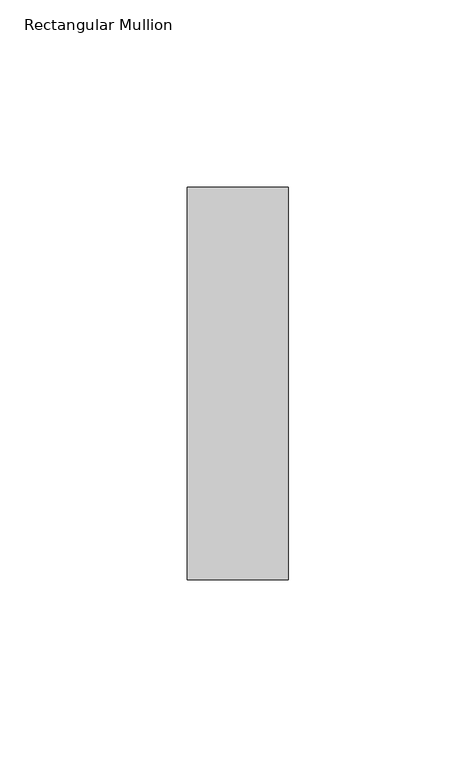
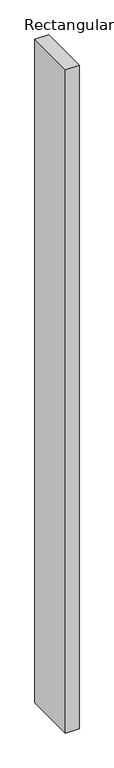
"""IFC4 building model written with IfcOpenShell, lengths in millimetres: member geometry, Rectangular Mullion."""

import ifcopenshell
import ifcopenshell.guid

model = None  # the IFC model being written
_history = None  # IfcOwnerHistory: only IFC2X3 demands one
_inside = {}  # id of a spatial element -> (the spatial element, [elements in it])
_under = {}  # id of a project, library or spatial element -> (it, [spatial elements below it])
_declared = {}  # id of a project -> (the project, [libraries it declares])
_typed = {}  # id of a type object -> (the type object, [elements of that type])
_made_of = {}  # id of a material, layer set ... -> (it, [elements and type objects made of it])


def new_model(schema):
    """Start an empty IFC model of exactly this schema.

    Asked for "IFC4X3", IfcOpenShell would pick the latest addendum, in which some entities
    have other attributes; the version numbers below select the first issue.
    IFC2X3 requires an IfcOwnerHistory on every rooted entity: one is made here for all.
    """
    global model, _history
    if schema == "IFC4X3":
        model = ifcopenshell.file(schema_version=(4, 3, 0, 0))
    else:
        model = ifcopenshell.file(schema=schema)
    _inside.clear()
    _under.clear()
    _declared.clear()
    _typed.clear()
    _made_of.clear()
    _history = None
    if model.schema == "IFC2X3":
        org = make("IfcOrganization", Name="unknown")
        user = make(
            "IfcPersonAndOrganization",
            ThePerson=make("IfcPerson", FamilyName="unknown"),
            TheOrganization=org,
        )
        app = make(
            "IfcApplication",
            ApplicationDeveloper=org,
            Version="unknown",
            ApplicationFullName="unknown",
            ApplicationIdentifier="unknown",
        )
        _history = make(
            "IfcOwnerHistory",
            OwningUser=user,
            OwningApplication=app,
            ChangeAction="ADDED",
            CreationDate=0,
        )
    return model


def make(cls, **values):
    """One entity of the class cls with the attributes given. An attribute that is None is left unset."""
    return model.create_entity(
        cls, **{name: value for name, value in values.items() if value is not None}
    )


def rooted(cls, **values):
    """An entity with a GlobalId (a new one), such as an element, a storey or a relation."""
    return make(cls, GlobalId=ifcopenshell.guid.new(), OwnerHistory=_history, **values)


def si_unit(unit_type, name, prefix=None):
    """IfcSIUnit, for example si_unit("LENGTHUNIT", "METRE", prefix="MILLI")."""
    return make("IfcSIUnit", UnitType=unit_type, Prefix=prefix, Name=name)


def assignment(units):
    """IfcUnitAssignment: the units of a project."""
    return None if units is None else make("IfcUnitAssignment", Units=units)


def point(xyz):
    """IfcCartesianPoint."""
    return None if xyz is None else make("IfcCartesianPoint", Coordinates=xyz)


def direction(xyz):
    """IfcDirection."""
    return None if xyz is None else make("IfcDirection", DirectionRatios=xyz)


def frame(location, z_axis=None, x_axis=None):
    """IfcAxis2Placement3D, a coordinate frame: its origin and axes. An axis left out is left unset."""
    return make(
        "IfcAxis2Placement3D",
        Location=point(location),
        Axis=direction(z_axis),
        RefDirection=direction(x_axis),
    )


def origin():
    """The frame at (0, 0, 0) with its axes left unset."""
    return frame((0.0, 0.0, 0.0))


def place(relative_to, where):
    """IfcLocalPlacement: puts the frame where relative to a parent placement (None: the world)."""
    return make(
        "IfcLocalPlacement", PlacementRelTo=relative_to, RelativePlacement=where
    )


def context(
    kind, dimensions, precision=None, world=None, true_north=None, identifier=None
):
    """IfcGeometricRepresentationContext, for example the 3D "Model" context."""
    return make(
        "IfcGeometricRepresentationContext",
        ContextIdentifier=identifier,
        ContextType=kind,
        CoordinateSpaceDimension=dimensions,
        Precision=precision,
        WorldCoordinateSystem=world,
        TrueNorth=true_north,
    )


def project(units=None, contexts=None):
    """IfcProject with its units and contexts."""
    return rooted(
        "IfcProject",
        Name="project",
        RepresentationContexts=contexts,
        UnitsInContext=assignment(units),
    )


def spatial(cls, under=None, at=None, **own):
    """A site, building, storey or space (cls), placed at a placement, below another one or the project."""
    s = rooted(cls, ObjectPlacement=at, **own)
    if under is not None:
        _under.setdefault(under.id(), (under, []))[1].append(s)
    return s


def polyline(points):
    """IfcPolyline through the points."""
    return make("IfcPolyline", Points=[point(p) for p in points])


def outline(outer, holes=None, kind="AREA"):
    """IfcArbitraryClosedProfileDef: a profile drawn as a closed curve; with holes, ...WithVoids."""
    if holes is None:
        return make("IfcArbitraryClosedProfileDef", ProfileType=kind, OuterCurve=outer)
    return make(
        "IfcArbitraryProfileDefWithVoids",
        ProfileType=kind,
        OuterCurve=outer,
        InnerCurves=holes,
    )


def extrude(swept, where, along, depth):
    """IfcExtrudedAreaSolid: the profile swept, set in the frame where, extruded along a direction by depth."""
    return make(
        "IfcExtrudedAreaSolid",
        SweptArea=swept,
        Position=where,
        ExtrudedDirection=direction(along),
        Depth=depth,
    )


def shape(context_of_items, identifier, shape_type, items):
    """IfcShapeRepresentation: the items that make up one representation, for example the "Body"."""
    return make(
        "IfcShapeRepresentation",
        ContextOfItems=context_of_items,
        RepresentationIdentifier=identifier,
        RepresentationType=shape_type,
        Items=items,
    )


def source(mapping_origin, context_of_items, identifier, shape_type, items):
    """IfcRepresentationMap: a shape defined once, which mapped items show again and again."""
    return make(
        "IfcRepresentationMap",
        MappingOrigin=mapping_origin,
        MappedRepresentation=shape(context_of_items, identifier, shape_type, items),
    )


def transform(
    local_origin,
    x_axis=None,
    y_axis=None,
    z_axis=None,
    scale=None,
    scale2=None,
    scale3=None,
    uniform=True,
):
    """IfcCartesianTransformationOperator3D, or its non-uniform kind. x_axis, y_axis, z_axis: its Axis1, 2, 3."""
    if uniform:
        return make(
            "IfcCartesianTransformationOperator3D",
            Axis1=direction(x_axis),
            Axis2=direction(y_axis),
            LocalOrigin=point(local_origin),
            Scale=scale,
            Axis3=direction(z_axis),
        )
    return make(
        "IfcCartesianTransformationOperator3DnonUniform",
        Axis1=direction(x_axis),
        Axis2=direction(y_axis),
        LocalOrigin=point(local_origin),
        Scale=scale,
        Axis3=direction(z_axis),
        Scale2=scale2,
        Scale3=scale3,
    )


def mapped(mapping_source, mapping_target):
    """IfcMappedItem: shows the shape of a source again, moved by a transform."""
    return make(
        "IfcMappedItem", MappingSource=mapping_source, MappingTarget=mapping_target
    )


def made_of(thing, what):
    """Note that an element or type object is made of a material, layer set ...; save() writes the relation."""
    if what is not None:
        _made_of.setdefault(what.id(), (what, []))[1].append(thing)
    return thing


def element(
    cls,
    number,
    at=None,
    inside=None,
    cuts=None,
    type_object=None,
    material=None,
    context=None,
    identifier="Body",
    shape_type=None,
    held_by="IfcProductDefinitionShape",
    body=None,
    shapes=None,
    **own,
):
    """One element of the class cls, such as IfcWall. Its Tag is "e" and its number.

    at: its placement. inside: the storey or other place that contains it. cuts: it is an
    opening in that element (IfcRelVoidsElement). A single representation is given by context,
    identifier, shape_type and body (its items); several are given by shapes. held_by: the class
    of the entity that holds the representations. save() writes the other relations.
    """
    e = rooted(cls, Tag="e%d" % number, ObjectPlacement=at, **own)
    if body is not None:
        shapes = [shape(context, identifier, shape_type, body)]
    if shapes is not None:
        e.Representation = make(held_by, Representations=shapes)
    if inside is not None:
        _inside.setdefault(inside.id(), (inside, []))[1].append(e)
    if cuts is not None:
        rooted(
            "IfcRelVoidsElement", RelatingBuildingElement=cuts, RelatedOpeningElement=e
        )
    if type_object is not None:
        _typed.setdefault(type_object.id(), (type_object, []))[1].append(e)
    return made_of(e, material)


def aggregate(whole, parts):
    """IfcRelAggregates: a whole, such as a stair, and the parts it consists of."""
    return rooted("IfcRelAggregates", RelatingObject=whole, RelatedObjects=parts)


def save(model, path):
    """Write the relations noted so far, then the file.

    IfcRelAggregates (storeys below a building ...), IfcRelContainedInSpatialStructure (elements
    in a storey), IfcRelDefinesByType, IfcRelAssociatesMaterial and IfcRelDeclares: one each for
    every whole, place, type object, material and project.
    """
    for whole, parts in _under.values():
        aggregate(whole, parts)
    for where, things in _inside.values():
        rooted(
            "IfcRelContainedInSpatialStructure",
            RelatedElements=things,
            RelatingStructure=where,
        )
    for kind, things in _typed.values():
        rooted("IfcRelDefinesByType", RelatedObjects=things, RelatingType=kind)
    for what, things in _made_of.values():
        rooted("IfcRelAssociatesMaterial", RelatedObjects=things, RelatingMaterial=what)
    for by, libraries in _declared.values():
        rooted("IfcRelDeclares", RelatingContext=by, RelatedDefinitions=libraries)
    model.write(path)


def rectangular_mullion_407b24ee(model_context):
    return source(origin(), model_context, "Body", "SweptSolid", [
        extrude(outline(polyline([(0.0, 52.3975), (0.0, -52.3975), (-27.0, -52.3975), (-27.0, 52.3975), (0.0, 52.3975)])), frame((0.0, 0.0, -1390.0), z_axis=(0.0, 0.0, 1.0), x_axis=(1.0, 0.0, 0.0)), (0.0, 0.0, 1.0), 1390.0),
    ])


if __name__ == "__main__":
    model = new_model("IFC4")
    model_context = context("Model", 3, world=origin())
    ifc_project = project(units=[si_unit("LENGTHUNIT", "METRE", prefix="MILLI")], contexts=[model_context])
    site = spatial("IfcSite", under=ifc_project)
    building = spatial("IfcBuilding", under=site)
    placement = place(None, origin())
    rectangular_mullion_shape = rectangular_mullion_407b24ee(model_context)
    element("IfcMember", 1, ObjectType="Rectangular Mullion", at=placement, inside=building, context=model_context, shape_type="MappedRepresentation", body=[
        mapped(rectangular_mullion_shape, transform((0.0, 0.0, 0.0), x_axis=(1.0, 0.0, 0.0), y_axis=(0.0, 1.0, 0.0), z_axis=(0.0, 0.0, 1.0))),
    ])
    save(model, "model.ifc")
